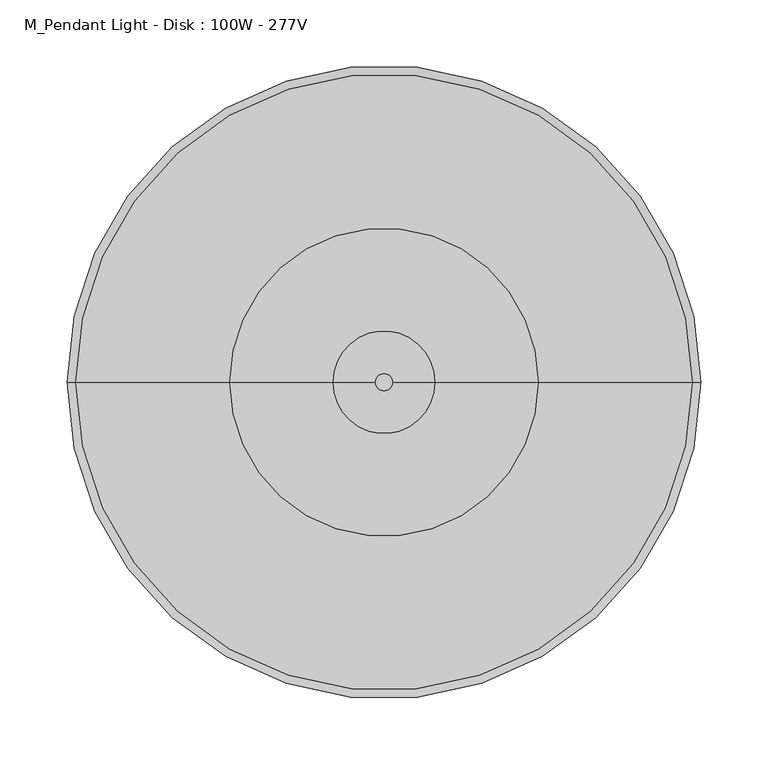
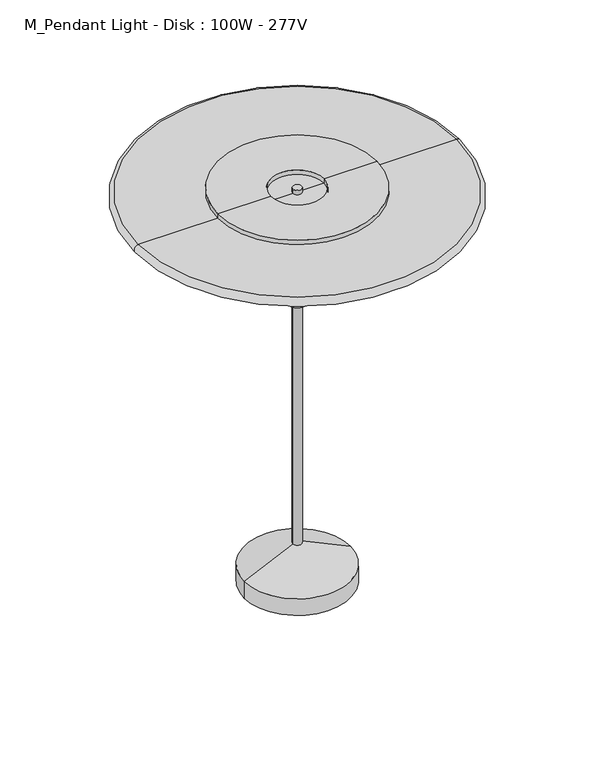
"""IFC4 building model written with IfcOpenShell, lengths in millimetres: light fixture geometry, M_Pendant Light - Disk : 100W - 277V."""

from ifc_helpers import new_model, si_unit, point, frame, origin, origin_with_axes, place, context, project, spatial, polyline, circle_curve, ellipse_curve, trimmed, source, transform, mapped, element, save
from ifc_brep_helpers import plane_surface, cylinder_surface, revolved_surface, advanced_brep


def m_pendant_light_disk_100w_277v_281aba28(model_context):
    return source(origin(), model_context, "Body", "AdvancedBrep", [
        advanced_brep(
        [(-6.35, 0.0, 596.9), (6.35, 0.0, 596.9), (-76.2, 0.0, 0.0), (76.2, 0.0, 0.0), (-6.35, 0.0, 58.1421875), (6.35, 0.0, 58.1421875), (76.2, 0.0, 25.4), (-76.2, 0.0, 25.4)],
        [
            (0, 1, circle_curve(frame((0.0, 0.0, 596.9), z_axis=(0.0, 0.0, 1.0), x_axis=(1.0, 0.0, 0.0)), 6.35)),
            (1, 0, circle_curve(frame((0.0, 0.0, 596.9), z_axis=(0.0, 0.0, 1.0), x_axis=(1.0, 0.0, 0.0)), 6.35)),
            (2, 3, circle_curve(frame((0.0, 0.0, 0.0), z_axis=(0.0, 0.0, -1.0), x_axis=(-1.0, 0.0, 0.0)), 76.2)),
            (3, 2, circle_curve(frame((0.0, 0.0, 0.0), z_axis=(0.0, 0.0, -1.0), x_axis=(-1.0, 0.0, 0.0)), 76.2)),
            (0, 4),
            (4, 5, circle_curve(frame((0.0, 0.0, 58.1421875), z_axis=(0.0, 0.0, 1.0), x_axis=(1.0, 0.0, 0.0)), 6.35)),
            (5, 1),
            (5, 4, circle_curve(frame((0.0, 0.0, 58.1421875), z_axis=(0.0, 0.0, 1.0), x_axis=(1.0, 0.0, 0.0)), 6.35)),
            (6, 7, circle_curve(frame((0.0, 0.0, 25.4), z_axis=(0.0, 0.0, 1.0), x_axis=(-1.0, 0.0, 0.0)), 76.2)),
            (7, 4),
            (5, 6),
            (7, 6, circle_curve(frame((0.0, 0.0, 25.4), z_axis=(0.0, 0.0, 1.0), x_axis=(-1.0, 0.0, 0.0)), 76.2)),
            (2, 7),
            (6, 3),
        ],
        [
            plane_surface(frame((6.35, 0.0, 596.9), z_axis=(0.0, 0.0, 1.0), x_axis=(0.0, 1.0, 0.0))),
            plane_surface(frame((6.35, 0.0, 0.0), z_axis=(0.0, 0.0, -1.0), x_axis=(0.0, -1.0, 0.0))),
            cylinder_surface(origin_with_axes(), 6.35),
            revolved_surface(polyline([(0.0, 0.0, 61.11875), (-76.2, 0.0, 25.4)]), (0.0, 0.0, 38.8135772), (0.0, 0.0, -1.0)),
            cylinder_surface(frame((0.0, 0.0, 38.8135772), z_axis=(0.0, 0.0, -1.0), x_axis=(-1.0, 0.0, 0.0)), 76.2),
        ],
        [
            (0, [[1, 2]]),
            (1, [[3, 4]]),
            (2, [[-1, 5, 6, 7]]),
            (2, [[-2, -7, 8, -5]]),
            (3, [[9, 10, -8, 11]]),
            (3, [[12, -11, -6, -10]]),
            (4, [[-3, 13, -9, 14]]),
            (4, [[-4, -14, -12, -13]]),
        ],
    ),
        advanced_brep(
        [(0.0, 0.0, 425.45), (-15.875, 0.0, 425.45), (15.875, 0.0, 425.45), (38.1, 0.0, 577.85), (-38.1, 0.0, 577.85), (0.0, 0.0, 577.85), (38.1, 0.0, 596.9), (-38.1, 0.0, 596.9), (114.3, 0.0, 596.9), (-114.3, 0.0, 596.9), (114.3, 0.0, 561.18125), (-114.3, 0.0, 561.18125), (15.875, 0.0, 561.18125), (-15.875, 0.0, 561.18125)],
        [
            (0, 1),
            (1, 2, circle_curve(frame((0.0, 0.0, 425.45), z_axis=(0.0, 0.0, -1.0), x_axis=(-1.0, 0.0, 0.0)), 15.875)),
            (2, 0),
            (2, 1, circle_curve(frame((0.0, 0.0, 425.45), z_axis=(0.0, 0.0, -1.0), x_axis=(-1.0, 0.0, 0.0)), 15.875)),
            (3, 4, circle_curve(frame((0.0, 0.0, 577.85), z_axis=(0.0, 0.0, 1.0), x_axis=(-1.0, 0.0, 0.0)), 38.1)),
            (4, 5),
            (5, 3),
            (4, 3, circle_curve(frame((0.0, 0.0, 577.85), z_axis=(0.0, 0.0, 1.0), x_axis=(-1.0, 0.0, 0.0)), 38.1)),
            (6, 7, circle_curve(frame((0.0, 0.0, 596.9), z_axis=(0.0, 0.0, 1.0), x_axis=(-1.0, 0.0, 0.0)), 38.1)),
            (7, 4),
            (3, 6),
            (7, 6, circle_curve(frame((0.0, 0.0, 596.9), z_axis=(0.0, 0.0, 1.0), x_axis=(-1.0, 0.0, 0.0)), 38.1)),
            (8, 9, circle_curve(frame((0.0, 0.0, 596.9), z_axis=(0.0, 0.0, 1.0), x_axis=(-1.0, 0.0, 0.0)), 114.3)),
            (9, 7),
            (6, 8),
            (9, 8, circle_curve(frame((0.0, 0.0, 596.9), z_axis=(0.0, 0.0, 1.0), x_axis=(-1.0, 0.0, 0.0)), 114.3)),
            (10, 11, circle_curve(frame((0.0, 0.0, 561.18125), z_axis=(0.0, 0.0, 1.0), x_axis=(-1.0, 0.0, 0.0)), 114.3)),
            (11, 9),
            (8, 10),
            (11, 10, circle_curve(frame((0.0, 0.0, 561.18125), z_axis=(0.0, 0.0, 1.0), x_axis=(-1.0, 0.0, 0.0)), 114.3)),
            (12, 13, circle_curve(frame((0.0, 0.0, 561.18125), z_axis=(0.0, 0.0, 1.0), x_axis=(-1.0, 0.0, 0.0)), 15.875)),
            (13, 11),
            (10, 12),
            (13, 12, circle_curve(frame((0.0, 0.0, 561.18125), z_axis=(0.0, 0.0, 1.0), x_axis=(-1.0, 0.0, 0.0)), 15.875)),
            (1, 13),
            (12, 2),
        ],
        [
            plane_surface(frame((0.0, 0.0, 425.45), z_axis=(0.0, 0.0, -1.0), x_axis=(-1.0, 0.0, 0.0))),
            plane_surface(frame((0.0, 0.0, 577.85), z_axis=(0.0, 0.0, 1.0), x_axis=(-1.0, 0.0, 0.0))),
            revolved_surface(polyline([(-38.1, 0.0, 577.85), (-38.1, 0.0, 596.9)]), (0.0, 0.0, 695.2182877), (0.0, 0.0, -1.0)),
            plane_surface(frame((0.0, 0.0, 596.9), z_axis=(0.0, 0.0, 1.0), x_axis=(-1.0, 0.0, 0.0))),
            cylinder_surface(frame((0.0, 0.0, 695.2182877), z_axis=(0.0, 0.0, -1.0), x_axis=(-1.0, 0.0, 0.0)), 114.3),
            plane_surface(frame((0.0, 0.0, 561.18125), z_axis=(0.0, 0.0, -1.0), x_axis=(-1.0, 0.0, 0.0))),
            cylinder_surface(frame((0.0, 0.0, 695.2182877), z_axis=(0.0, 0.0, -1.0), x_axis=(-1.0, 0.0, 0.0)), 15.875),
        ],
        [
            (0, [[1, 2, 3]]),
            (0, [[-3, 4, -1]]),
            (1, [[5, 6, 7]]),
            (1, [[8, -7, -6]]),
            (2, [[9, 10, -5, 11]]),
            (2, [[12, -11, -8, -10]]),
            (3, [[13, 14, -9, 15]]),
            (3, [[16, -15, -12, -14]]),
            (4, [[17, 18, -13, 19]]),
            (4, [[20, -19, -16, -18]]),
            (5, [[21, 22, -17, 23]]),
            (5, [[24, -23, -20, -22]]),
            (6, [[-2, 25, -21, 26]]),
            (6, [[-4, -26, -24, -25]]),
        ],
    ),
        advanced_brep(
        [(0.0, 0.0, 577.85), (-228.6, 0.0, 577.85), (228.6, 0.0, 577.85), (228.6, 0.0, 590.55), (-228.6, 0.0, 590.55), (0.0, 0.0, 590.55)],
        [
            (0, 1),
            (1, 2, circle_curve(frame((0.0, 0.0, 577.85), z_axis=(0.0, 0.0, -1.0), x_axis=(-1.0, 0.0, 0.0)), 228.6)),
            (2, 0),
            (2, 1, circle_curve(frame((0.0, 0.0, 577.85), z_axis=(0.0, 0.0, -1.0), x_axis=(-1.0, 0.0, 0.0)), 228.6)),
            (3, 4, circle_curve(frame((0.0, 0.0, 590.55), z_axis=(0.0, 0.0, 1.0), x_axis=(-1.0, 0.0, 0.0)), 228.6)),
            (4, 5),
            (5, 3),
            (4, 3, circle_curve(frame((0.0, 0.0, 590.55), z_axis=(0.0, 0.0, 1.0), x_axis=(-1.0, 0.0, 0.0)), 228.6)),
            (1, 4, circle_curve(frame((-228.6, 0.0, 584.2), z_axis=(0.0, 1.0, 0.0), x_axis=(1.0, 0.0, 0.0)), 6.35)),
            (3, 2, circle_curve(frame((228.6, 0.0, 584.2), z_axis=(0.0, 1.0, 0.0), x_axis=(-1.0, 0.0, 0.0)), 6.35)),
        ],
        [
            plane_surface(frame((0.0, 0.0, 577.85), z_axis=(0.0, 0.0, -1.0), x_axis=(-1.0, 0.0, 0.0))),
            plane_surface(frame((0.0, 0.0, 590.55), z_axis=(0.0, 0.0, 1.0), x_axis=(-1.0, 0.0, 0.0))),
            revolved_surface(trimmed(ellipse_curve(frame((-228.6, 0.0, 584.2), z_axis=(0.0, -1.0, 0.0), x_axis=(1.0, 0.0, 0.0)), 6.35, 6.35), [point((-228.6, 0.0, 590.55))], [point((-228.6, 0.0, 577.85))], True, "CARTESIAN"), (0.0, 0.0, 596.9), (0.0, 0.0, -1.0)),
        ],
        [
            (0, [[1, 2, 3]]),
            (0, [[-3, 4, -1]]),
            (1, [[5, 6, 7]]),
            (1, [[8, -7, -6]]),
            (2, [[-2, 9, -5, 10]]),
            (2, [[-4, -10, -8, -9]]),
        ],
    ),
    ])


if __name__ == "__main__":
    model = new_model("IFC4")
    model_context = context("Model", 3, world=origin())
    ifc_project = project(units=[si_unit("LENGTHUNIT", "METRE", prefix="MILLI")], contexts=[model_context])
    site = spatial("IfcSite", under=ifc_project)
    building = spatial("IfcBuilding", under=site)
    placement = place(None, origin())
    m_pendant_light_disk_100w_277v_shape = m_pendant_light_disk_100w_277v_281aba28(model_context)
    element("IfcLightFixture", 1, ObjectType="M_Pendant Light - Disk : 100W - 277V", at=placement, inside=building, context=model_context, shape_type="MappedRepresentation", body=[
        mapped(m_pendant_light_disk_100w_277v_shape, transform((0.0, 0.0, 0.0), x_axis=(1.0, 0.0, 0.0), y_axis=(0.0, 1.0, 0.0), z_axis=(0.0, 0.0, 1.0))),
    ])
    save(model, "model.ifc")
